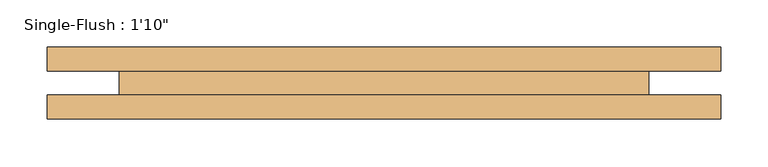
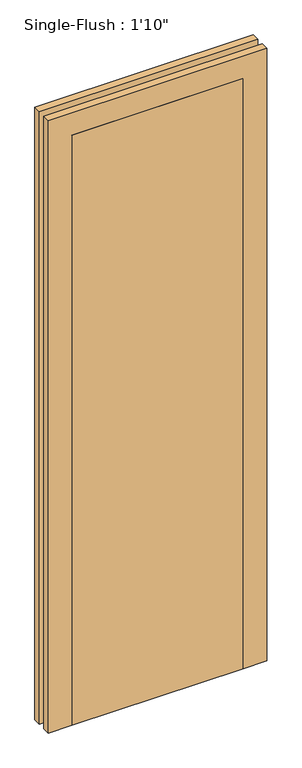
"""IFC4 building model written with IfcOpenShell, lengths in millimetres: door geometry."""

from ifc_helpers import new_model, si_unit, frame, origin, origin_with_axes, place, context, project, spatial, polyline, outline, extrude, source, transform, mapped, element, save


def door_9bafa099(model_context):
    return source(origin(), model_context, "Body", "SweptSolid", [
        extrude(outline(polyline([(2108.2, -355.6), (0.0, -355.6), (0.0, -279.4), (2032.0, -279.4), (2032.0, 279.4), (0.0, 279.4), (0.0, 355.6), (2108.2, 355.6), (2108.2, -355.6)])), frame((0.0, 12.7, 0.0), z_axis=(0.0, 1.0, 0.0), x_axis=(0.0, 0.0, 1.0)), (0.0, 0.0, 1.0), 25.4),
        extrude(outline(polyline([(2108.2, 355.6), (2108.2, -355.6), (0.0, -355.6), (0.0, -279.4), (2032.0, -279.4), (2032.0, 279.4), (0.0, 279.4), (0.0, 355.6), (2108.2, 355.6)])), frame((0.0, -38.1, 0.0), z_axis=(0.0, 1.0, 0.0), x_axis=(0.0, 0.0, 1.0)), (0.0, 0.0, 1.0), 25.4),
        extrude(outline(polyline([(279.4, -38.1), (-279.4, -38.1), (-279.4, 12.7), (279.4, 12.7), (279.4, -38.1)])), origin_with_axes(), (0.0, 0.0, 1.0), 2032.0),
    ])


if __name__ == "__main__":
    model = new_model("IFC4")
    model_context = context("Model", 3, world=origin())
    ifc_project = project(units=[si_unit("LENGTHUNIT", "METRE", prefix="MILLI")], contexts=[model_context])
    site = spatial("IfcSite", under=ifc_project)
    building = spatial("IfcBuilding", under=site)
    placement = place(None, origin())
    door_shape = door_9bafa099(model_context)
    element("IfcDoor", 1, ObjectType="Single-Flush : 1'10\"", at=placement, inside=building, context=model_context, shape_type="MappedRepresentation", body=[
        mapped(door_shape, transform((0.0, 0.0, 0.0), x_axis=(1.0, 0.0, 0.0), y_axis=(0.0, 1.0, 0.0), z_axis=(0.0, 0.0, 1.0))),
    ])
    save(model, "model.ifc")
